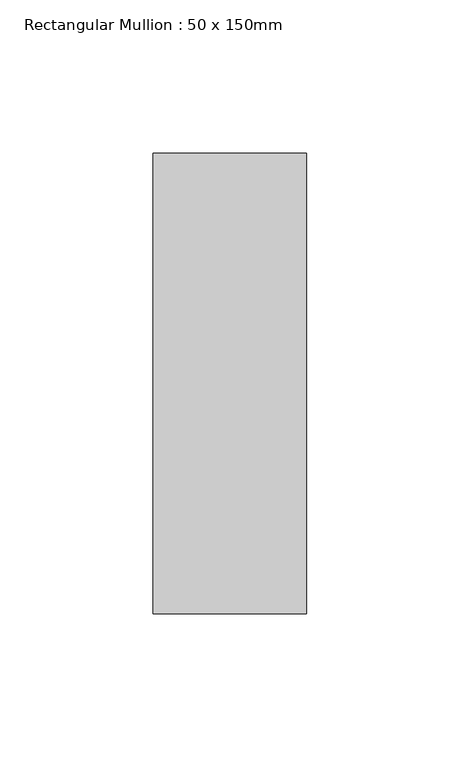
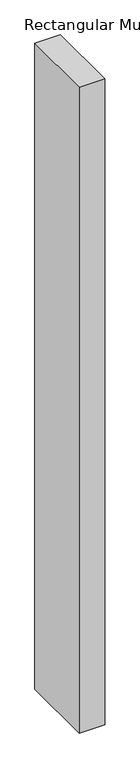
"""IFC4 building model written with IfcOpenShell, lengths in millimetres: member geometry, Rectangular Mullion : 50 x 150mm."""

from ifc_helpers import new_model, si_unit, frame, origin, place, context, project, spatial, polyline, outline, extrude, source, transform, mapped, element, save


def rectangular_mullion_50_x_150mm_878b185b(model_context):
    return source(origin(), model_context, "Body", "SweptSolid", [
        extrude(outline(polyline([(25.0, 75.0), (25.0, -75.0), (-25.0, -75.0), (-25.0, 75.0), (25.0, 75.0)])), frame((0.0, 0.0, -1335.7142857), z_axis=(0.0, 0.0, 1.0), x_axis=(1.0, 0.0, 0.0)), (0.0, 0.0, 1.0), 1335.7142857),
    ])


if __name__ == "__main__":
    model = new_model("IFC4")
    model_context = context("Model", 3, world=origin())
    ifc_project = project(units=[si_unit("LENGTHUNIT", "METRE", prefix="MILLI")], contexts=[model_context])
    site = spatial("IfcSite", under=ifc_project)
    building = spatial("IfcBuilding", under=site)
    placement = place(None, origin())
    rectangular_mullion_50_x_150mm_shape = rectangular_mullion_50_x_150mm_878b185b(model_context)
    element("IfcMember", 1, ObjectType="Rectangular Mullion : 50 x 150mm", at=placement, inside=building, context=model_context, shape_type="MappedRepresentation", body=[
        mapped(rectangular_mullion_50_x_150mm_shape, transform((0.0, 0.0, 0.0), x_axis=(1.0, 0.0, 0.0), y_axis=(0.0, 1.0, 0.0), z_axis=(0.0, 0.0, 1.0))),
    ])
    save(model, "model.ifc")
